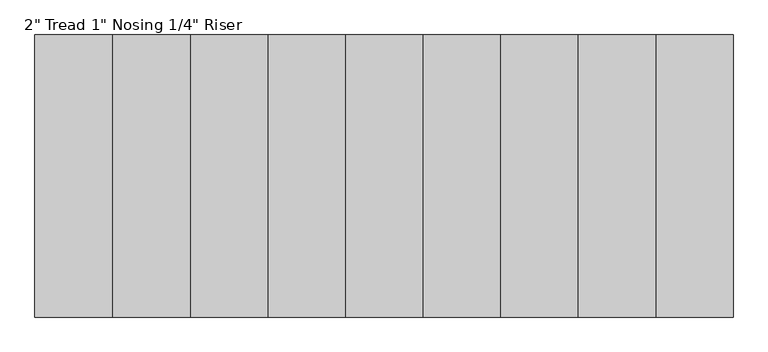
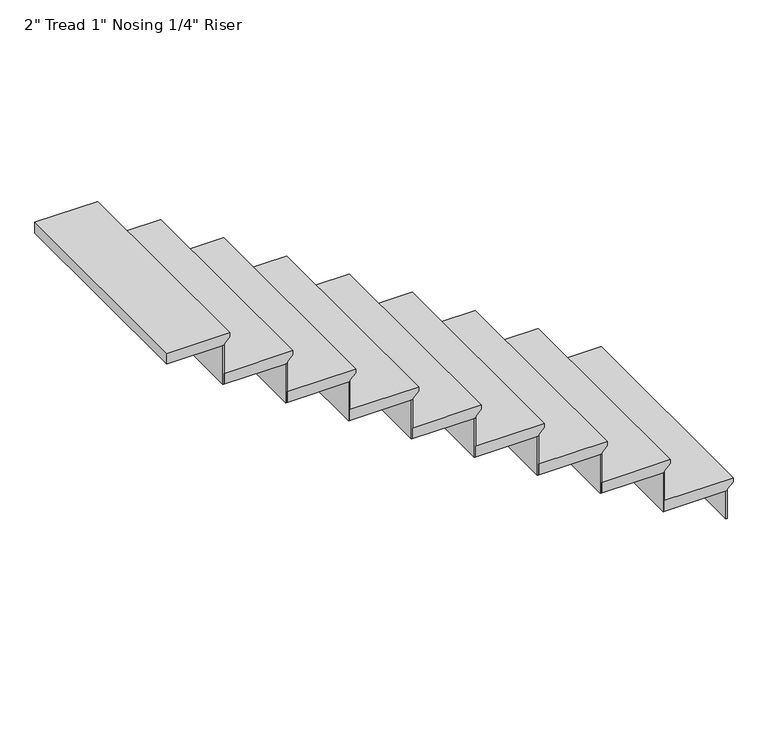
"""IFC4 building model written with IfcOpenShell, lengths in millimetres: stair flight geometry."""

from ifc_helpers import new_model, si_unit, frame, origin, origin_with_axes, place, context, project, spatial, polyline, outline, extrude, source, transform, mapped, element, save


def stair_flight_192d0955(model_context):
    return source(origin(), model_context, "Body", "SweptSolid", [
        extrude(outline(polyline([(183.0916667, 5276.6029953), (183.0916667, 4971.8029953), (132.2916667, 4971.8029953), (132.2916667, 5251.2029953), (138.6416667, 5251.2029953), (164.0416667, 5276.6029953), (183.0916667, 5276.6029953)])), frame((0.0, 474.8225734, 0.0), z_axis=(0.0, 1.0, 0.0), x_axis=(0.0, 0.0, 1.0)), (0.0, 0.0, 1.0), 1016.0),
        extrude(outline(polyline([(5244.8529953, 1490.8225734), (5251.2029953, 1490.8225734), (5251.2029953, 474.8225734), (5244.8529953, 474.8225734), (5244.8529953, 1490.8225734)])), origin_with_axes(), (0.0, 0.0, 1.0), 132.2916667),
        extrude(outline(polyline([(4965.4529953, 1490.8225734), (4971.8029953, 1490.8225734), (4971.8029953, 474.8225734), (4965.4529953, 474.8225734), (4965.4529953, 1490.8225734)])), frame((0.0, 0.0, 132.2916667), z_axis=(0.0, 0.0, 1.0), x_axis=(1.0, 0.0, 0.0)), (0.0, 0.0, 1.0), 183.0916667),
        extrude(outline(polyline([(366.1833333, 4997.2029953), (366.1833333, 4692.4029953), (315.3833333, 4692.4029953), (315.3833333, 4971.8029953), (321.7333333, 4971.8029953), (347.1333333, 4997.2029953), (366.1833333, 4997.2029953)])), frame((0.0, 474.8225734, 0.0), z_axis=(0.0, 1.0, 0.0), x_axis=(0.0, 0.0, 1.0)), (0.0, 0.0, 1.0), 1016.0),
        extrude(outline(polyline([(4686.0529953, 1490.8225734), (4692.4029953, 1490.8225734), (4692.4029953, 474.8225734), (4686.0529953, 474.8225734), (4686.0529953, 1490.8225734)])), frame((0.0, 0.0, 315.3833333), z_axis=(0.0, 0.0, 1.0), x_axis=(1.0, 0.0, 0.0)), (0.0, 0.0, 1.0), 183.0916667),
        extrude(outline(polyline([(549.275, 4717.8029953), (549.275, 4413.0029953), (498.475, 4413.0029953), (498.475, 4692.4029953), (504.825, 4692.4029953), (530.225, 4717.8029953), (549.275, 4717.8029953)])), frame((0.0, 474.8225734, 0.0), z_axis=(0.0, 1.0, 0.0), x_axis=(0.0, 0.0, 1.0)), (0.0, 0.0, 1.0), 1016.0),
        extrude(outline(polyline([(4406.6529953, 1490.8225734), (4413.0029953, 1490.8225734), (4413.0029953, 474.8225734), (4406.6529953, 474.8225734), (4406.6529953, 1490.8225734)])), frame((0.0, 0.0, 498.475), z_axis=(0.0, 0.0, 1.0), x_axis=(1.0, 0.0, 0.0)), (0.0, 0.0, 1.0), 183.0916667),
        extrude(outline(polyline([(732.3666667, 4438.4029953), (732.3666667, 4133.6029953), (681.5666667, 4133.6029953), (681.5666667, 4413.0029953), (687.9166667, 4413.0029953), (713.3166667, 4438.4029953), (732.3666667, 4438.4029953)])), frame((0.0, 474.8225734, 0.0), z_axis=(0.0, 1.0, 0.0), x_axis=(0.0, 0.0, 1.0)), (0.0, 0.0, 1.0), 1016.0),
        extrude(outline(polyline([(4127.2529953, 1490.8225734), (4133.6029953, 1490.8225734), (4133.6029953, 474.8225734), (4127.2529953, 474.8225734), (4127.2529953, 1490.8225734)])), frame((0.0, 0.0, 681.5666667), z_axis=(0.0, 0.0, 1.0), x_axis=(1.0, 0.0, 0.0)), (0.0, 0.0, 1.0), 183.0916667),
        extrude(outline(polyline([(915.4583333, 4159.0029953), (915.4583333, 3854.2029953), (864.6583333, 3854.2029953), (864.6583333, 4133.6029953), (871.0083333, 4133.6029953), (896.4083333, 4159.0029953), (915.4583333, 4159.0029953)])), frame((0.0, 474.8225734, 0.0), z_axis=(0.0, 1.0, 0.0), x_axis=(0.0, 0.0, 1.0)), (0.0, 0.0, 1.0), 1016.0),
        extrude(outline(polyline([(3847.8529953, 1490.8225734), (3854.2029953, 1490.8225734), (3854.2029953, 474.8225734), (3847.8529953, 474.8225734), (3847.8529953, 1490.8225734)])), frame((0.0, 0.0, 864.6583333), z_axis=(0.0, 0.0, 1.0), x_axis=(1.0, 0.0, 0.0)), (0.0, 0.0, 1.0), 183.0916667),
        extrude(outline(polyline([(1098.55, 3879.6029953), (1098.55, 3574.8029953), (1047.75, 3574.8029953), (1047.75, 3854.2029953), (1054.1, 3854.2029953), (1079.5, 3879.6029953), (1098.55, 3879.6029953)])), frame((0.0, 474.8225734, 0.0), z_axis=(0.0, 1.0, 0.0), x_axis=(0.0, 0.0, 1.0)), (0.0, 0.0, 1.0), 1016.0),
        extrude(outline(polyline([(3568.4529953, 1490.8225734), (3574.8029953, 1490.8225734), (3574.8029953, 474.8225734), (3568.4529953, 474.8225734), (3568.4529953, 1490.8225734)])), frame((0.0, 0.0, 1047.75), z_axis=(0.0, 0.0, 1.0), x_axis=(1.0, 0.0, 0.0)), (0.0, 0.0, 1.0), 183.0916667),
        extrude(outline(polyline([(1281.6416667, 3600.2029953), (1281.6416667, 3295.4029953), (1230.8416667, 3295.4029953), (1230.8416667, 3574.8029953), (1237.1916667, 3574.8029953), (1262.5916667, 3600.2029953), (1281.6416667, 3600.2029953)])), frame((0.0, 474.8225734, 0.0), z_axis=(0.0, 1.0, 0.0), x_axis=(0.0, 0.0, 1.0)), (0.0, 0.0, 1.0), 1016.0),
        extrude(outline(polyline([(3289.0529953, 1490.8225734), (3295.4029953, 1490.8225734), (3295.4029953, 474.8225734), (3289.0529953, 474.8225734), (3289.0529953, 1490.8225734)])), frame((0.0, 0.0, 1230.8416667), z_axis=(0.0, 0.0, 1.0), x_axis=(1.0, 0.0, 0.0)), (0.0, 0.0, 1.0), 183.0916667),
        extrude(outline(polyline([(1464.7333333, 3320.8029953), (1464.7333333, 3016.0029953), (1413.9333333, 3016.0029953), (1413.9333333, 3295.4029953), (1420.2833333, 3295.4029953), (1445.6833333, 3320.8029953), (1464.7333333, 3320.8029953)])), frame((0.0, 474.8225734, 0.0), z_axis=(0.0, 1.0, 0.0), x_axis=(0.0, 0.0, 1.0)), (0.0, 0.0, 1.0), 1016.0),
        extrude(outline(polyline([(3009.6529953, 1490.8225734), (3016.0029953, 1490.8225734), (3016.0029953, 474.8225734), (3009.6529953, 474.8225734), (3009.6529953, 1490.8225734)])), frame((0.0, 0.0, 1413.9333333), z_axis=(0.0, 0.0, 1.0), x_axis=(1.0, 0.0, 0.0)), (0.0, 0.0, 1.0), 183.0916667),
        extrude(outline(polyline([(1647.825, 3041.4029953), (1647.825, 2762.0029953), (1597.025, 2762.0029953), (1597.025, 3016.0029953), (1603.375, 3016.0029953), (1628.775, 3041.4029953), (1647.825, 3041.4029953)])), frame((0.0, 474.8225734, 0.0), z_axis=(0.0, 1.0, 0.0), x_axis=(0.0, 0.0, 1.0)), (0.0, 0.0, 1.0), 1016.0),
    ])


if __name__ == "__main__":
    model = new_model("IFC4")
    model_context = context("Model", 3, world=origin())
    ifc_project = project(units=[si_unit("LENGTHUNIT", "METRE", prefix="MILLI")], contexts=[model_context])
    site = spatial("IfcSite", under=ifc_project)
    building = spatial("IfcBuilding", under=site)
    placement = place(None, origin())
    stair_flight_shape = stair_flight_192d0955(model_context)
    element("IfcStairFlight", 1, ObjectType="2\" Tread 1\" Nosing 1/4\" Riser", at=placement, inside=building, context=model_context, shape_type="MappedRepresentation", body=[
        mapped(stair_flight_shape, transform((0.0, 0.0, 0.0), x_axis=(1.0, 0.0, 0.0), y_axis=(0.0, 1.0, 0.0), z_axis=(0.0, 0.0, 1.0))),
    ])
    save(model, "model.ifc")
